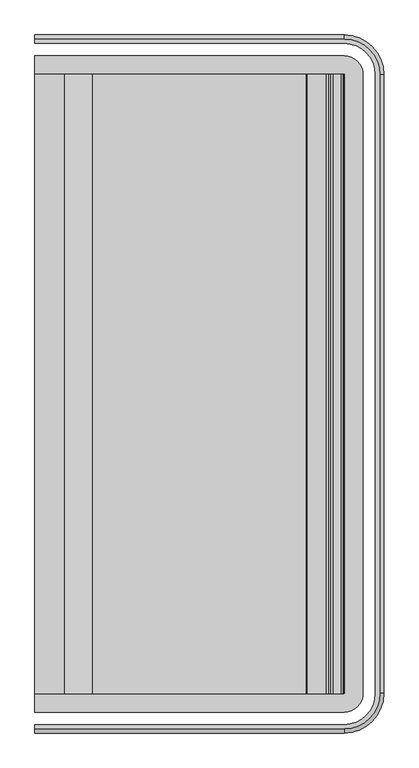
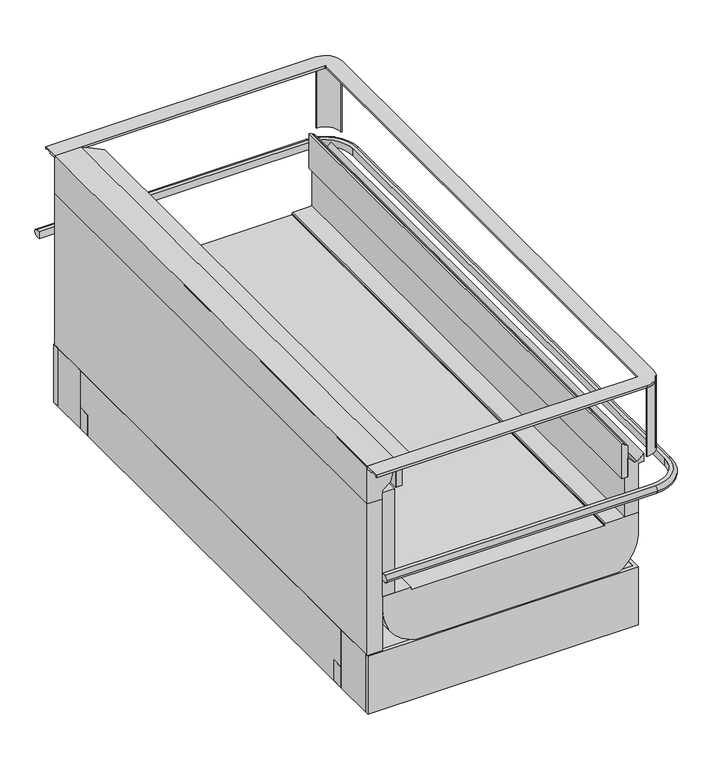
"""IFC4 building model written with IfcOpenShell, lengths in millimetres: proxy geometry."""

from ifc_helpers import new_model, si_unit, point, frame, frame_2d, origin, place, context, project, spatial, polyline, circle_curve, ellipse_curve, trimmed, segment, composite_curve, outline, extrude, source, transform, mapped, element, save
from ifc_brep_helpers import plane_surface, cylinder_surface, revolved_surface, advanced_brep


def mechanical_equipment_8d018af7(model_context):
    return source(origin(), model_context, "Body", "SolidModel", [
        extrude(outline(composite_curve([segment(polyline([(3388.995, -2460.7202413), (3388.995, -2457.5452413)]), True, "CONTINUOUS"), segment(trimmed(circle_curve(frame_2d((3388.995, -2403.0289273)), 54.516314), [point((3388.995, -2457.5452413))], [point((3443.511314, -2403.0289273))], True, "CARTESIAN"), True, "CONTINUOUS"), segment(polyline([(3443.511314, -2403.0289273), (3446.686314, -2403.0289273)]), True, "CONTINUOUS"), segment(trimmed(circle_curve(frame_2d((3388.995, -2403.0289273)), 57.691314), [point((3446.686314, -2403.0289273))], [point((3388.995, -2460.7202413))], False, "CARTESIAN"), True, "CONTINUOUS")], self_intersect=False)), frame((0.0, 0.0, 705.4117613), z_axis=(0.0, 0.0, 1.0), x_axis=(1.0, 0.0, 0.0)), (0.0, 0.0, 1.0), 254.9428463),
        extrude(outline(composite_curve([segment(trimmed(circle_curve(frame_2d((3388.995, -505.0139273)), 57.691314), [point((3388.995, -447.3226133))], [point((3446.686314, -505.0139273))], False, "CARTESIAN"), True, "CONTINUOUS"), segment(polyline([(3446.686314, -505.0139273), (3443.511314, -505.0139273)]), True, "CONTINUOUS"), segment(trimmed(circle_curve(frame_2d((3388.995, -505.0139273)), 54.516314), [point((3443.511314, -505.0139273))], [point((3388.995, -450.4976133))], True, "CARTESIAN"), True, "CONTINUOUS"), segment(polyline([(3388.995, -450.4976133), (3388.995, -447.3226133)]), True, "CONTINUOUS")], self_intersect=False)), frame((0.0, 0.0, 705.4117613), z_axis=(0.0, 0.0, 1.0), x_axis=(1.0, 0.0, 0.0)), (0.0, 0.0, 1.0), 254.9428463),
        advanced_brep(
        [(2438.4, -2460.7202413, 960.3546076), (2438.4, -2460.7202413, 968.355969), (2438.4, -2405.4344601, 968.355969), (2438.4, -2405.4344601, 960.3546076), (2438.4, -2430.6913456, 960.3546076), (2438.4, -2430.6913456, 965.063979), (2438.4, -2457.6455081, 965.063979), (2438.4, -2457.6455081, 960.3546076), (2438.4, -447.3226133, 960.3546076), (2438.4, -450.3973465, 960.3546076), (2438.4, -450.3973465, 965.063979), (2438.4, -477.351509, 965.063979), (2438.4, -477.351509, 960.3546076), (2438.4, -502.6083945, 960.3546076), (2438.4, -502.6083945, 968.355969), (2438.4, -447.3226133, 968.355969), (3388.995, -2460.7202413, 960.3546076), (3388.995, -2460.7202413, 968.355969), (3446.686314, -2403.0289273, 968.355969), (3446.686314, -505.0139273, 968.355969), (3388.995, -447.3226133, 968.355969), (3388.995, -502.6083945, 968.355969), (3391.4005328, -505.0139273, 968.355969), (3391.4005328, -2403.0289273, 968.355969), (3388.995, -2405.4344601, 968.355969), (3388.995, -2405.4344601, 960.3546076), (3391.4005328, -2403.0289273, 960.3546076), (3391.4005328, -505.0139273, 960.3546076), (3388.995, -502.6083945, 960.3546076), (3388.995, -477.351509, 960.3546076), (3416.6574183, -505.0139273, 960.3546076), (3416.6574183, -2403.0289273, 960.3546076), (3388.995, -2430.6913456, 960.3546076), (3388.995, -2430.6913456, 965.063979), (3416.6574183, -2403.0289273, 965.063979), (3416.6574183, -505.0139273, 965.063979), (3388.995, -477.351509, 965.063979), (3388.995, -450.3973465, 965.063979), (3443.6115808, -505.0139273, 965.063979), (3443.6115808, -2403.0289273, 965.063979), (3388.995, -2457.6455081, 965.063979), (3388.995, -2457.6455081, 960.3546076), (3443.6115808, -2403.0289273, 960.3546076), (3443.6115808, -505.0139273, 960.3546076), (3388.995, -450.3973465, 960.3546076), (3388.995, -447.3226133, 960.3546076), (3446.686314, -505.0139273, 960.3546076), (3446.686314, -2403.0289273, 960.3546076)],
        [
            (0, 1),
            (1, 2),
            (2, 3),
            (3, 4),
            (4, 5),
            (5, 6),
            (6, 7),
            (7, 0),
            (8, 9),
            (9, 10),
            (10, 11),
            (11, 12),
            (12, 13),
            (13, 14),
            (14, 15),
            (15, 8),
            (0, 16),
            (16, 17),
            (17, 1),
            (17, 18, circle_curve(frame((3388.995, -2403.0289273, 968.355969), z_axis=(0.0, 0.0, 1.0), x_axis=(0.0, -1.0, 0.0)), 57.691314)),
            (18, 19),
            (19, 20, circle_curve(frame((3388.995, -505.0139273, 968.355969), z_axis=(0.0, 0.0, 1.0), x_axis=(1.0, 0.0, 0.0)), 57.691314)),
            (20, 15),
            (14, 21),
            (21, 22, circle_curve(frame((3388.995, -505.0139273, 968.355969), z_axis=(0.0, 0.0, -1.0), x_axis=(1.0, 0.0, 0.0)), 2.4055328)),
            (22, 23),
            (23, 24, circle_curve(frame((3388.995, -2403.0289273, 968.355969), z_axis=(0.0, 0.0, -1.0), x_axis=(0.0, -1.0, 0.0)), 2.4055328)),
            (24, 2),
            (24, 25),
            (25, 3),
            (25, 26, circle_curve(frame((3388.995, -2403.0289273, 960.3546076), z_axis=(0.0, 0.0, 1.0), x_axis=(0.0, -1.0, 0.0)), 2.4055328)),
            (26, 27),
            (27, 28, circle_curve(frame((3388.995, -505.0139273, 960.3546076), z_axis=(0.0, 0.0, 1.0), x_axis=(1.0, 0.0, 0.0)), 2.4055328)),
            (28, 13),
            (12, 29),
            (29, 30, circle_curve(frame((3388.995, -505.0139273, 960.3546076), z_axis=(0.0, 0.0, -1.0), x_axis=(1.0, 0.0, 0.0)), 27.6624183)),
            (30, 31),
            (31, 32, circle_curve(frame((3388.995, -2403.0289273, 960.3546076), z_axis=(0.0, 0.0, -1.0), x_axis=(0.0, -1.0, 0.0)), 27.6624183)),
            (32, 4),
            (32, 33),
            (33, 5),
            (33, 34, circle_curve(frame((3388.995, -2403.0289273, 965.063979), z_axis=(0.0, 0.0, 1.0), x_axis=(0.0, -1.0, 0.0)), 27.6624183)),
            (34, 35),
            (35, 36, circle_curve(frame((3388.995, -505.0139273, 965.063979), z_axis=(0.0, 0.0, 1.0), x_axis=(1.0, 0.0, 0.0)), 27.6624183)),
            (36, 11),
            (10, 37),
            (37, 38, circle_curve(frame((3388.995, -505.0139273, 965.063979), z_axis=(0.0, 0.0, -1.0), x_axis=(1.0, 0.0, 0.0)), 54.6165808)),
            (38, 39),
            (39, 40, circle_curve(frame((3388.995, -2403.0289273, 965.063979), z_axis=(0.0, 0.0, -1.0), x_axis=(0.0, -1.0, 0.0)), 54.6165808)),
            (40, 6),
            (40, 41),
            (41, 7),
            (41, 42, circle_curve(frame((3388.995, -2403.0289273, 960.3546076), z_axis=(0.0, 0.0, 1.0), x_axis=(0.0, -1.0, 0.0)), 54.6165808)),
            (42, 43),
            (43, 44, circle_curve(frame((3388.995, -505.0139273, 960.3546076), z_axis=(0.0, 0.0, 1.0), x_axis=(1.0, 0.0, 0.0)), 54.6165808)),
            (44, 9),
            (8, 45),
            (45, 46, circle_curve(frame((3388.995, -505.0139273, 960.3546076), z_axis=(0.0, 0.0, -1.0), x_axis=(1.0, 0.0, 0.0)), 57.691314)),
            (46, 47),
            (47, 16, circle_curve(frame((3388.995, -2403.0289273, 960.3546076), z_axis=(0.0, 0.0, -1.0), x_axis=(0.0, -1.0, 0.0)), 57.691314)),
            (47, 18),
            (23, 26),
            (31, 34),
            (39, 42),
            (46, 19),
            (22, 27),
            (30, 35),
            (38, 43),
            (45, 20),
            (21, 28),
            (29, 36),
            (37, 44),
        ],
        [
            plane_surface(frame((2438.4, -2522.4089273, 1431.925), z_axis=(-1.0, 0.0, 0.0), x_axis=(0.0, 0.0, 1.0))),
            plane_surface(frame((2438.4, -385.6339273, 1431.925), z_axis=(-1.0, 0.0, 0.0), x_axis=(0.0, 0.0, 1.0))),
            plane_surface(frame((2438.4, -2460.7202413, 960.3546076), z_axis=(0.0, -1.0, 0.0), x_axis=(1.0, 0.0, 0.0))),
            plane_surface(frame((2438.4, -2460.7202413, 968.355969), z_axis=(0.0, 0.0, 1.0), x_axis=(1.0, 0.0, 0.0))),
            plane_surface(frame((2438.4, -2405.4344601, 968.355969), z_axis=(0.0, 1.0, 0.0), x_axis=(1.0, 0.0, 0.0))),
            plane_surface(frame((2438.4, -2405.4344601, 960.3546076), z_axis=(0.0, 0.0, -1.0), x_axis=(1.0, 0.0, 0.0))),
            plane_surface(frame((2438.4, -2430.6913456, 960.3546076), z_axis=(0.0, -1.0, 0.0), x_axis=(1.0, 0.0, 0.0))),
            plane_surface(frame((2438.4, -2430.6913456, 965.063979), z_axis=(0.0, 0.0, -1.0), x_axis=(1.0, 0.0, 0.0))),
            plane_surface(frame((2438.4, -2457.6455081, 965.063979), z_axis=(0.0, 1.0, 0.0), x_axis=(1.0, 0.0, 0.0))),
            plane_surface(frame((2438.4, -2457.6455081, 960.3546076), z_axis=(0.0, 0.0, -1.0), x_axis=(1.0, 0.0, 0.0))),
            cylinder_surface(frame((3388.995, -2403.0289273, 1431.925), z_axis=(0.0, 0.0, 1.0), x_axis=(0.0, -1.0, 0.0)), 57.691314),
            revolved_surface(polyline([(3388.995, -2405.4344601, 968.355969), (3388.995, -2405.4344601, 960.3546076)]), (3388.995, -2403.0289273, 1431.925), (0.0, 0.0, 1.0)),
            cylinder_surface(frame((3388.995, -2403.0289273, 1431.925), z_axis=(0.0, 0.0, 1.0), x_axis=(0.0, -1.0, 0.0)), 27.6624183),
            revolved_surface(polyline([(3388.995, -2457.6455081, 965.063979), (3388.995, -2457.6455081, 960.3546076)]), (3388.995, -2403.0289273, 1431.925), (0.0, 0.0, 1.0)),
            plane_surface(frame((3446.686314, -2403.0289273, 960.3546076), z_axis=(1.0, 0.0, 0.0), x_axis=(0.0, 1.0, 0.0))),
            plane_surface(frame((3391.4005328, -2403.0289273, 968.355969), z_axis=(-1.0, 0.0, 0.0), x_axis=(0.0, 1.0, 0.0))),
            plane_surface(frame((3416.6574183, -2403.0289273, 960.3546076), z_axis=(1.0, 0.0, 0.0), x_axis=(0.0, 1.0, 0.0))),
            plane_surface(frame((3443.6115808, -2403.0289273, 965.063979), z_axis=(-1.0, 0.0, 0.0), x_axis=(0.0, 1.0, 0.0))),
            cylinder_surface(frame((3388.995, -505.0139273, 1431.925), z_axis=(0.0, 0.0, 1.0), x_axis=(1.0, 0.0, 0.0)), 57.691314),
            revolved_surface(polyline([(3391.4005328, -505.0139273, 968.355969), (3391.4005328, -505.0139273, 960.3546076)]), (3388.995, -505.0139273, 1431.925), (0.0, 0.0, 1.0)),
            cylinder_surface(frame((3388.995, -505.0139273, 1431.925), z_axis=(0.0, 0.0, 1.0), x_axis=(1.0, 0.0, 0.0)), 27.6624183),
            revolved_surface(polyline([(3443.6115808, -505.0139273, 965.063979), (3443.6115808, -505.0139273, 960.3546076)]), (3388.995, -505.0139273, 1431.925), (0.0, 0.0, 1.0)),
            plane_surface(frame((3388.995, -447.3226133, 960.3546076), z_axis=(0.0, 1.0, 0.0), x_axis=(-1.0, 0.0, 0.0))),
            plane_surface(frame((3388.995, -502.6083945, 968.355969), z_axis=(0.0, -1.0, 0.0), x_axis=(-1.0, 0.0, 0.0))),
            plane_surface(frame((3388.995, -477.351509, 960.3546076), z_axis=(0.0, 1.0, 0.0), x_axis=(-1.0, 0.0, 0.0))),
            plane_surface(frame((3388.995, -450.3973465, 965.063979), z_axis=(0.0, -1.0, 0.0), x_axis=(-1.0, 0.0, 0.0))),
        ],
        [
            (0, [[1, 2, 3, 4, 5, 6, 7, 8]]),
            (1, [[9, 10, 11, 12, 13, 14, 15, 16]]),
            (2, [[-1, 17, 18, 19]]),
            (3, [[-2, -19, 20, 21, 22, 23, -15, 24, 25, 26, 27, 28]]),
            (4, [[-3, -28, 29, 30]]),
            (5, [[-4, -30, 31, 32, 33, 34, -13, 35, 36, 37, 38, 39]]),
            (6, [[-5, -39, 40, 41]]),
            (7, [[-6, -41, 42, 43, 44, 45, -11, 46, 47, 48, 49, 50]]),
            (8, [[-7, -50, 51, 52]]),
            (9, [[-8, -52, 53, 54, 55, 56, -9, 57, 58, 59, 60, -17]]),
            (10, [[-20, -18, -60, 61]]),
            (11, [[-31, -29, -27, 62]]),
            (12, [[-42, -40, -38, 63]]),
            (13, [[-53, -51, -49, 64]]),
            (14, [[-61, -59, 65, -21]]),
            (15, [[-62, -26, 66, -32]]),
            (16, [[-63, -37, 67, -43]]),
            (17, [[-64, -48, 68, -54]]),
            (18, [[-22, -65, -58, 69]]),
            (19, [[-33, -66, -25, 70]]),
            (20, [[-44, -67, -36, 71]]),
            (21, [[-55, -68, -47, 72]]),
            (22, [[-69, -57, -16, -23]]),
            (23, [[-70, -24, -14, -34]]),
            (24, [[-71, -35, -12, -45]]),
            (25, [[-72, -46, -10, -56]]),
        ],
    ),
        advanced_brep(
        [(2438.4, -2405.4344601, 960.3546076), (2438.4, -2430.6913456, 960.3546076), (2438.4, -2430.6913456, 965.063979), (2438.4, -2457.6455081, 965.063979), (2438.4, -2457.6455081, 960.3546076), (2438.4, -2460.7202413, 960.3546076), (2438.4, -2460.7202413, 968.355969), (2438.4, -2405.4344601, 968.355969), (2438.4, -502.6083945, 960.3546076), (2438.4, -502.6083945, 968.355969), (2438.4, -447.3226133, 968.3559691), (2438.4, -447.3226133, 960.3546076), (2438.4, -450.3973465, 960.3546076), (2438.4, -450.3973465, 965.063979), (2438.4, -477.351509, 965.063979), (2438.4, -477.351509, 960.3546076), (3388.995, -2405.4344601, 960.3546076), (3391.4005328, -2403.0289273, 960.3546076), (3391.4005328, -505.0139273, 960.3546076), (3388.995, -502.6083945, 960.3546076), (3388.995, -477.351509, 960.3546076), (3416.6574183, -505.0139273, 960.3546076), (3416.6574183, -2403.0289273, 960.3546076), (3388.995, -2430.6913456, 960.3546076), (3388.995, -2430.6913456, 965.063979), (3416.6574183, -2403.0289273, 965.063979), (3416.6574183, -505.0139273, 965.063979), (3388.995, -477.351509, 965.063979), (3388.995, -450.3973465, 965.063979), (3443.6115808, -505.0139273, 965.063979), (3443.6115808, -2403.0289273, 965.063979), (3388.995, -2457.6455081, 965.063979), (3388.995, -2457.6455081, 960.3546076), (3443.6115808, -2403.0289273, 960.3546076), (3443.6115808, -505.0139273, 960.3546076), (3388.995, -450.3973465, 960.3546076), (3388.995, -447.3226133, 960.3546076), (3446.686314, -505.0139273, 960.3546076), (3446.686314, -2403.0289273, 960.3546076), (3388.995, -2460.7202413, 960.3546076), (3388.995, -2460.7202413, 968.355969), (3446.686314, -2403.0289273, 968.355969), (3446.686314, -505.0139273, 968.3559691), (3388.995, -447.3226133, 968.3559691), (3388.995, -502.6083945, 968.3559691), (3391.4005328, -505.0139273, 968.3559691), (3391.4005328, -2403.0289273, 968.355969), (3388.995, -2405.4344601, 968.355969)],
        [
            (0, 1),
            (1, 2),
            (2, 3),
            (3, 4),
            (4, 5),
            (5, 6),
            (6, 7),
            (7, 0),
            (8, 9),
            (9, 10),
            (10, 11),
            (11, 12),
            (12, 13),
            (13, 14),
            (14, 15),
            (15, 8),
            (0, 16),
            (16, 17, circle_curve(frame((3388.995, -2403.0289273, 960.3546076), z_axis=(0.0, 0.0, 1.0), x_axis=(0.0, -1.0, 0.0)), 2.4055328)),
            (17, 18),
            (18, 19, circle_curve(frame((3388.995, -505.0139273, 960.3546076), z_axis=(0.0, 0.0, 1.0), x_axis=(1.0, 0.0, 0.0)), 2.4055328)),
            (19, 8),
            (15, 20),
            (20, 21, circle_curve(frame((3388.995, -505.0139273, 960.3546076), z_axis=(0.0, 0.0, -1.0), x_axis=(1.0, 0.0, 0.0)), 27.6624183)),
            (21, 22),
            (22, 23, circle_curve(frame((3388.995, -2403.0289273, 960.3546076), z_axis=(0.0, 0.0, -1.0), x_axis=(0.0, -1.0, 0.0)), 27.6624183)),
            (23, 1),
            (23, 24),
            (24, 2),
            (24, 25, circle_curve(frame((3388.995, -2403.0289273, 965.063979), z_axis=(0.0, 0.0, 1.0), x_axis=(0.0, -1.0, 0.0)), 27.6624183)),
            (25, 26),
            (26, 27, circle_curve(frame((3388.995, -505.0139273, 965.063979), z_axis=(0.0, 0.0, 1.0), x_axis=(1.0, 0.0, 0.0)), 27.6624183)),
            (27, 14),
            (13, 28),
            (28, 29, circle_curve(frame((3388.995, -505.0139273, 965.063979), z_axis=(0.0, 0.0, -1.0), x_axis=(1.0, 0.0, 0.0)), 54.6165808)),
            (29, 30),
            (30, 31, circle_curve(frame((3388.995, -2403.0289273, 965.063979), z_axis=(0.0, 0.0, -1.0), x_axis=(0.0, -1.0, 0.0)), 54.6165808)),
            (31, 3),
            (31, 32),
            (32, 4),
            (32, 33, circle_curve(frame((3388.995, -2403.0289273, 960.3546076), z_axis=(0.0, 0.0, 1.0), x_axis=(0.0, -1.0, 0.0)), 54.6165808)),
            (33, 34),
            (34, 35, circle_curve(frame((3388.995, -505.0139273, 960.3546076), z_axis=(0.0, 0.0, 1.0), x_axis=(1.0, 0.0, 0.0)), 54.6165808)),
            (35, 12),
            (11, 36),
            (36, 37, circle_curve(frame((3388.995, -505.0139273, 960.3546076), z_axis=(0.0, 0.0, -1.0), x_axis=(1.0, 0.0, 0.0)), 57.691314)),
            (37, 38),
            (38, 39, circle_curve(frame((3388.995, -2403.0289273, 960.3546076), z_axis=(0.0, 0.0, -1.0), x_axis=(0.0, -1.0, 0.0)), 57.691314)),
            (39, 5),
            (39, 40),
            (40, 6),
            (40, 41, circle_curve(frame((3388.995, -2403.0289273, 968.355969), z_axis=(0.0, 0.0, 1.0), x_axis=(0.0, -1.0, 0.0)), 57.691314)),
            (41, 42),
            (42, 43, circle_curve(frame((3388.995, -505.0139273, 968.3559691), z_axis=(0.0, 0.0, 1.0), x_axis=(1.0, 0.0, 0.0)), 57.691314)),
            (43, 10),
            (9, 44),
            (44, 45, circle_curve(frame((3388.995, -505.0139273, 968.3559691), z_axis=(0.0, 0.0, -1.0), x_axis=(1.0, 0.0, 0.0)), 2.4055328)),
            (45, 46),
            (46, 47, circle_curve(frame((3388.995, -2403.0289273, 968.355969), z_axis=(0.0, 0.0, -1.0), x_axis=(0.0, -1.0, 0.0)), 2.4055328)),
            (47, 7),
            (47, 16),
            (22, 25),
            (30, 33),
            (38, 41),
            (46, 17),
            (21, 26),
            (29, 34),
            (37, 42),
            (45, 18),
            (20, 27),
            (28, 35),
            (36, 43),
            (44, 19),
        ],
        [
            plane_surface(frame((2438.4, -2522.4089273, 1727.2), z_axis=(-1.0, 0.0, 0.0), x_axis=(0.0, 0.0, 1.0))),
            plane_surface(frame((2438.4, -385.6339273, 1727.2), z_axis=(-1.0, 0.0, 0.0), x_axis=(0.0, 0.0, 1.0))),
            plane_surface(frame((2438.4, -2405.4344601, 960.3546076), z_axis=(0.0, 0.0, -1.0), x_axis=(1.0, 0.0, 0.0))),
            plane_surface(frame((2438.4, -2430.6913456, 960.3546076), z_axis=(0.0, -1.0, 0.0), x_axis=(1.0, 0.0, 0.0))),
            plane_surface(frame((2438.4, -2430.6913456, 965.063979), z_axis=(0.0, 0.0, -1.0), x_axis=(1.0, 0.0, 0.0))),
            plane_surface(frame((2438.4, -2457.6455081, 965.063979), z_axis=(0.0, 1.0, 0.0), x_axis=(1.0, 0.0, 0.0))),
            plane_surface(frame((2438.4, -2457.6455081, 960.3546076), z_axis=(0.0, 0.0, -1.0), x_axis=(1.0, 0.0, 0.0))),
            plane_surface(frame((2438.4, -2460.7202413, 960.3546076), z_axis=(0.0, -1.0, 0.0), x_axis=(1.0, 0.0, 0.0))),
            plane_surface(frame((2438.4, -2460.7202413, 968.355969), z_axis=(0.0, 0.0, 1.0), x_axis=(1.0, 0.0, 0.0))),
            plane_surface(frame((2438.4, -2405.4344601, 968.355969), z_axis=(0.0, 1.0, 0.0), x_axis=(1.0, 0.0, 0.0))),
            cylinder_surface(frame((3388.995, -2403.0289273, 1727.2), z_axis=(0.0, 0.0, 1.0), x_axis=(0.0, -1.0, 0.0)), 27.6624183),
            revolved_surface(polyline([(3388.995, -2457.6455081, 965.063979), (3388.995, -2457.6455081, 960.3546076)]), (3388.995, -2403.0289273, 1727.2), (0.0, 0.0, 1.0)),
            cylinder_surface(frame((3388.995, -2403.0289273, 1727.2), z_axis=(0.0, 0.0, 1.0), x_axis=(0.0, -1.0, 0.0)), 57.691314),
            revolved_surface(polyline([(3388.995, -2405.4344601, 968.355969), (3388.995, -2405.4344601, 960.3546076)]), (3388.995, -2403.0289273, 1727.2), (0.0, 0.0, 1.0)),
            plane_surface(frame((3416.6574183, -2403.0289273, 960.3546076), z_axis=(1.0, 0.0, 0.0), x_axis=(0.0, 1.0, 0.0))),
            plane_surface(frame((3443.6115808, -2403.0289273, 965.063979), z_axis=(-1.0, 0.0, 0.0), x_axis=(0.0, 1.0, 0.0))),
            plane_surface(frame((3446.686314, -2403.0289273, 960.3546076), z_axis=(1.0, 0.0, 0.0), x_axis=(0.0, 1.0, 0.0))),
            plane_surface(frame((3391.4005328, -2403.0289273, 968.355969), z_axis=(-1.0, 0.0, 0.0), x_axis=(0.0, 1.0, 0.0))),
            cylinder_surface(frame((3388.995, -505.0139273, 1727.2), z_axis=(0.0, 0.0, 1.0), x_axis=(1.0, 0.0, 0.0)), 27.6624183),
            revolved_surface(polyline([(3443.6115808, -505.0139273, 965.063979), (3443.6115808, -505.0139273, 960.3546076)]), (3388.995, -505.0139273, 1727.2), (0.0, 0.0, 1.0)),
            cylinder_surface(frame((3388.995, -505.0139273, 1727.2), z_axis=(0.0, 0.0, 1.0), x_axis=(1.0, 0.0, 0.0)), 57.691314),
            revolved_surface(polyline([(3391.4005328, -505.0139273, 968.3559691), (3391.4005328, -505.0139273, 960.3546076)]), (3388.995, -505.0139273, 1727.2), (0.0, 0.0, 1.0)),
            plane_surface(frame((3388.995, -477.351509, 960.3546076), z_axis=(0.0, 1.0, 0.0), x_axis=(-1.0, 0.0, 0.0))),
            plane_surface(frame((3388.995, -450.3973465, 965.063979), z_axis=(0.0, -1.0, 0.0), x_axis=(-1.0, 0.0, 0.0))),
            plane_surface(frame((3388.995, -447.3226133, 960.3546076), z_axis=(0.0, 1.0, 0.0), x_axis=(-1.0, 0.0, 0.0))),
            plane_surface(frame((3388.995, -502.6083945, 968.355969), z_axis=(0.0, -1.0, 0.0), x_axis=(-1.0, 0.0, 0.0))),
        ],
        [
            (0, [[1, 2, 3, 4, 5, 6, 7, 8]]),
            (1, [[9, 10, 11, 12, 13, 14, 15, 16]]),
            (2, [[-1, 17, 18, 19, 20, 21, -16, 22, 23, 24, 25, 26]]),
            (3, [[-2, -26, 27, 28]]),
            (4, [[-3, -28, 29, 30, 31, 32, -14, 33, 34, 35, 36, 37]]),
            (5, [[-4, -37, 38, 39]]),
            (6, [[-5, -39, 40, 41, 42, 43, -12, 44, 45, 46, 47, 48]]),
            (7, [[-6, -48, 49, 50]]),
            (8, [[-7, -50, 51, 52, 53, 54, -10, 55, 56, 57, 58, 59]]),
            (9, [[-8, -59, 60, -17]]),
            (10, [[-29, -27, -25, 61]]),
            (11, [[-40, -38, -36, 62]]),
            (12, [[-51, -49, -47, 63]]),
            (13, [[-18, -60, -58, 64]]),
            (14, [[-61, -24, 65, -30]]),
            (15, [[-62, -35, 66, -41]]),
            (16, [[-63, -46, 67, -52]]),
            (17, [[-64, -57, 68, -19]]),
            (18, [[-31, -65, -23, 69]]),
            (19, [[-42, -66, -34, 70]]),
            (20, [[-53, -67, -45, 71]]),
            (21, [[-20, -68, -56, 72]]),
            (22, [[-69, -22, -15, -32]]),
            (23, [[-70, -33, -13, -43]]),
            (24, [[-71, -44, -11, -54]]),
            (25, [[-72, -55, -9, -21]]),
        ],
    ),
        advanced_brep(
        [(2438.4, -2512.451313, 628.600468), (2438.4, -2499.0303348, 628.600468), (2438.4, -2499.0303348, 603.200468), (2438.4, -2512.451313, 603.200468), (2438.4, -2525.151313, 615.900468), (2438.4, -395.5915416, 628.600468), (2438.4, -382.8915416, 615.900468), (2438.4, -395.5915416, 603.200468), (2438.4, -409.0125198, 603.200468), (2438.4, -409.0125198, 628.600468), (3388.995, -2512.451313, 628.600468), (3498.4173857, -2403.0289273, 628.600468), (3498.4173857, -505.0139273, 628.600468), (3388.995, -395.5915416, 628.600468), (3388.995, -409.0125198, 628.600468), (3484.9964075, -505.0139273, 628.600468), (3484.9964075, -2403.0289273, 628.600468), (3388.995, -2499.0303348, 628.600468), (3388.995, -2499.0303348, 603.200468), (3484.9964075, -2403.0289273, 603.200468), (3484.9964075, -505.0139273, 603.200468), (3388.995, -409.0125198, 603.200468), (3388.995, -395.5915416, 603.200468), (3498.4173857, -505.0139273, 603.200468), (3498.4173857, -2403.0289273, 603.200468), (3388.995, -2512.451313, 603.200468), (3388.995, -2525.151313, 615.900468), (3511.1173857, -2403.0289273, 615.900468), (3511.1173857, -505.0139273, 615.900468), (3388.995, -382.8915416, 615.900468)],
        [
            (0, 1),
            (1, 2),
            (2, 3),
            (3, 4, circle_curve(frame((2438.4, -2512.451313, 615.900468), z_axis=(-1.0, 0.0, 0.0), x_axis=(0.0, 1.0, 0.0)), 12.7)),
            (4, 0, circle_curve(frame((2438.4, -2512.451313, 615.900468), z_axis=(-1.0, 0.0, 0.0), x_axis=(0.0, 1.0, 0.0)), 12.7)),
            (5, 6, circle_curve(frame((2438.4, -395.5915416, 615.900468), z_axis=(-1.0, 0.0, 0.0), x_axis=(0.0, -1.0, 0.0)), 12.7)),
            (6, 7, circle_curve(frame((2438.4, -395.5915416, 615.900468), z_axis=(-1.0, 0.0, 0.0), x_axis=(0.0, -1.0, 0.0)), 12.7)),
            (7, 8),
            (8, 9),
            (9, 5),
            (0, 10),
            (10, 11, circle_curve(frame((3388.995, -2403.0289273, 628.600468), z_axis=(0.0, 0.0, 1.0), x_axis=(0.0, -1.0, 0.0)), 109.4223857)),
            (11, 12),
            (12, 13, circle_curve(frame((3388.995, -505.0139273, 628.600468), z_axis=(0.0, 0.0, 1.0), x_axis=(1.0, 0.0, 0.0)), 109.4223857)),
            (13, 5),
            (9, 14),
            (14, 15, circle_curve(frame((3388.995, -505.0139273, 628.600468), z_axis=(0.0, 0.0, -1.0), x_axis=(1.0, 0.0, 0.0)), 96.0014075)),
            (15, 16),
            (16, 17, circle_curve(frame((3388.995, -2403.0289273, 628.600468), z_axis=(0.0, 0.0, -1.0), x_axis=(0.0, -1.0, 0.0)), 96.0014075)),
            (17, 1),
            (2, 18),
            (18, 19, circle_curve(frame((3388.995, -2403.0289273, 603.200468), z_axis=(0.0, 0.0, 1.0), x_axis=(0.0, -1.0, 0.0)), 96.0014075)),
            (19, 20),
            (20, 21, circle_curve(frame((3388.995, -505.0139273, 603.200468), z_axis=(0.0, 0.0, 1.0), x_axis=(1.0, 0.0, 0.0)), 96.0014075)),
            (21, 8),
            (7, 22),
            (22, 23, circle_curve(frame((3388.995, -505.0139273, 603.200468), z_axis=(0.0, 0.0, -1.0), x_axis=(1.0, 0.0, 0.0)), 109.4223857)),
            (23, 24),
            (24, 25, circle_curve(frame((3388.995, -2403.0289273, 603.200468), z_axis=(0.0, 0.0, -1.0), x_axis=(0.0, -1.0, 0.0)), 109.4223857)),
            (25, 3),
            (25, 26, circle_curve(frame((3388.995, -2512.451313, 615.900468), z_axis=(-1.0, 0.0, 0.0), x_axis=(0.0, 1.0, 0.0)), 12.7)),
            (26, 4),
            (26, 10, circle_curve(frame((3388.995, -2512.451313, 615.900468), z_axis=(-1.0, 0.0, 0.0), x_axis=(0.0, 1.0, 0.0)), 12.7)),
            (27, 26, circle_curve(frame((3388.995, -2403.0289273, 615.900468), z_axis=(0.0, 0.0, -1.0), x_axis=(0.0, -1.0, 0.0)), 122.1223857)),
            (24, 27, circle_curve(frame((3498.4173857, -2403.0289273, 615.900468), z_axis=(0.0, -1.0, 0.0), x_axis=(-1.0, 0.0, 0.0)), 12.7)),
            (27, 11, circle_curve(frame((3498.4173857, -2403.0289273, 615.900468), z_axis=(0.0, -1.0, 0.0), x_axis=(-1.0, 0.0, 0.0)), 12.7)),
            (23, 28, circle_curve(frame((3498.4173857, -505.0139273, 615.900468), z_axis=(0.0, -1.0, 0.0), x_axis=(-1.0, 0.0, 0.0)), 12.7)),
            (28, 27),
            (28, 12, circle_curve(frame((3498.4173857, -505.0139273, 615.900468), z_axis=(0.0, -1.0, 0.0), x_axis=(-1.0, 0.0, 0.0)), 12.7)),
            (29, 28, circle_curve(frame((3388.995, -505.0139273, 615.900468), z_axis=(0.0, 0.0, -1.0), x_axis=(1.0, 0.0, 0.0)), 122.1223857)),
            (22, 29, circle_curve(frame((3388.995, -395.5915416, 615.900468), z_axis=(1.0, 0.0, 0.0), x_axis=(0.0, -1.0, 0.0)), 12.7)),
            (29, 13, circle_curve(frame((3388.995, -395.5915416, 615.900468), z_axis=(1.0, 0.0, 0.0), x_axis=(0.0, -1.0, 0.0)), 12.7)),
            (6, 29),
            (17, 18),
            (16, 19),
            (15, 20),
            (14, 21),
        ],
        [
            plane_surface(frame((2438.4, -2522.4089273, 1114.425), z_axis=(-1.0, 0.0, 0.0), x_axis=(0.0, 0.0, 1.0))),
            plane_surface(frame((2438.4, -385.6339273, 1114.425), z_axis=(-1.0, 0.0, 0.0), x_axis=(0.0, 0.0, 1.0))),
            plane_surface(frame((2438.4, -2512.451313, 628.600468), z_axis=(0.0, 0.0, 1.0), x_axis=(1.0, 0.0, 0.0))),
            plane_surface(frame((2438.4, -2499.0303348, 603.200468), z_axis=(0.0, 0.0, -1.0), x_axis=(1.0, 0.0, 0.0))),
            cylinder_surface(frame((2438.4, -2512.451313, 615.900468), z_axis=(-1.0, 0.0, 0.0), x_axis=(0.0, 1.0, 0.0)), 12.7),
            revolved_surface(trimmed(ellipse_curve(frame((3388.995, -2512.451313, 615.900468), z_axis=(-1.0, 0.0, 0.0), x_axis=(0.0, 1.0, 0.0)), 12.7, 12.7), [point((3388.995, -2512.451313, 603.200468))], [point((3388.995, -2525.151313, 615.900468))], True, "CARTESIAN"), (3388.995, -2403.0289273, 1114.425), (0.0, 0.0, 1.0)),
            revolved_surface(trimmed(ellipse_curve(frame((3388.995, -2512.451313, 615.900468), z_axis=(-1.0, 0.0, 0.0), x_axis=(0.0, 1.0, 0.0)), 12.7, 12.7), [point((3388.995, -2525.151313, 615.900468))], [point((3388.995, -2512.451313, 628.600468))], True, "CARTESIAN"), (3388.995, -2403.0289273, 1114.425), (0.0, 0.0, 1.0)),
            cylinder_surface(frame((3498.4173857, -2403.0289273, 615.900468), z_axis=(0.0, -1.0, 0.0), x_axis=(-1.0, 0.0, 0.0)), 12.7),
            revolved_surface(trimmed(ellipse_curve(frame((3498.4173857, -505.0139273, 615.900468), z_axis=(0.0, -1.0, 0.0), x_axis=(-1.0, 0.0, 0.0)), 12.7, 12.7), [point((3498.4173857, -505.0139273, 603.200468))], [point((3511.1173857, -505.0139273, 615.900468))], True, "CARTESIAN"), (3388.995, -505.0139273, 1114.425), (0.0, 0.0, 1.0)),
            revolved_surface(trimmed(ellipse_curve(frame((3498.4173857, -505.0139273, 615.900468), z_axis=(0.0, -1.0, 0.0), x_axis=(-1.0, 0.0, 0.0)), 12.7, 12.7), [point((3511.1173857, -505.0139273, 615.900468))], [point((3498.4173857, -505.0139273, 628.600468))], True, "CARTESIAN"), (3388.995, -505.0139273, 1114.425), (0.0, 0.0, 1.0)),
            cylinder_surface(frame((3388.995, -395.5915416, 615.900468), z_axis=(1.0, 0.0, 0.0), x_axis=(0.0, -1.0, 0.0)), 12.7),
            plane_surface(frame((2438.4, -2499.0303348, 628.600468), z_axis=(0.0, 1.0, 0.0), x_axis=(1.0, 0.0, 0.0))),
            revolved_surface(polyline([(3388.995, -2499.0303347999998, 628.600468), (3388.995, -2499.0303347999998, 603.200468)]), (3388.995, -2403.0289273, 1114.425), (0.0, 0.0, 1.0)),
            plane_surface(frame((3484.9964075, -2403.0289273, 628.600468), z_axis=(-1.0, 0.0, 0.0), x_axis=(0.0, 1.0, 0.0))),
            revolved_surface(polyline([(3484.9964075, -505.0139273, 628.600468), (3484.9964075, -505.0139273, 603.200468)]), (3388.995, -505.0139273, 1114.425), (0.0, 0.0, 1.0)),
            plane_surface(frame((3388.995, -409.0125198, 628.600468), z_axis=(0.0, -1.0, 0.0), x_axis=(-1.0, 0.0, 0.0))),
        ],
        [
            (0, [[1, 2, 3, 4, 5]]),
            (1, [[6, 7, 8, 9, 10]]),
            (2, [[-1, 11, 12, 13, 14, 15, -10, 16, 17, 18, 19, 20]]),
            (3, [[-3, 21, 22, 23, 24, 25, -8, 26, 27, 28, 29, 30]]),
            (4, [[-4, -30, 31, 32]]),
            (4, [[-5, -32, 33, -11]]),
            (5, [[34, -31, -29, 35]]),
            (6, [[-12, -33, -34, 36]]),
            (7, [[-35, -28, 37, 38]]),
            (7, [[-36, -38, 39, -13]]),
            (8, [[40, -37, -27, 41]]),
            (9, [[-14, -39, -40, 42]]),
            (10, [[-41, -26, -7, 43]]),
            (10, [[-42, -43, -6, -15]]),
            (11, [[-2, -20, 44, -21]]),
            (12, [[-22, -44, -19, 45]]),
            (13, [[-45, -18, 46, -23]]),
            (14, [[-24, -46, -17, 47]]),
            (15, [[-47, -16, -9, -25]]),
        ],
    ),
        extrude(outline(composite_curve([segment(trimmed(circle_curve(frame_2d((3138.4875, -579.3089273)), 12.7), [point((3125.7875, -579.3089273))], [point((3151.1875, -579.3089273))], False, "CARTESIAN"), True, "CONTINUOUS"), segment(trimmed(circle_curve(frame_2d((3138.4875, -579.3089273)), 12.7), [point((3151.1875, -579.3089273))], [point((3125.7875, -579.3089273))], False, "CARTESIAN"), True, "CONTINUOUS")], self_intersect=False)), frame((0.0, 0.0, 110.2946924), z_axis=(0.0, 0.0, 1.0), x_axis=(1.0, 0.0, 0.0)), (0.0, 0.0, 1.0), 92.8862766),
        extrude(outline(composite_curve([segment(trimmed(circle_curve(frame_2d((3138.4875, -630.1089273)), 9.525), [point((3128.9625, -630.1089273))], [point((3148.0125, -630.1089273))], False, "CARTESIAN"), True, "CONTINUOUS"), segment(trimmed(circle_curve(frame_2d((3138.4875, -630.1089273)), 9.525), [point((3148.0125, -630.1089273))], [point((3128.9625, -630.1089273))], False, "CARTESIAN"), True, "CONTINUOUS")], self_intersect=False)), frame((0.0, 0.0, 110.2946924), z_axis=(0.0, 0.0, 1.0), x_axis=(1.0, 0.0, 0.0)), (0.0, 0.0, 1.0), 92.8862766),
        extrude(outline(composite_curve([segment(trimmed(circle_curve(frame_2d((3138.4875, -1454.021075)), 38.1), [point((3176.4354004, -1457.4220835))], [point((3100.3875, -1454.021075))], False, "CARTESIAN"), True, "CONTINUOUS"), segment(trimmed(circle_curve(frame_2d((3138.4875, -1454.021075)), 38.1), [point((3100.3875, -1454.021075))], [point((3176.4354004, -1457.4220835))], False, "CARTESIAN"), True, "CONTINUOUS")], self_intersect=False)), frame((0.0, 0.0, 110.2946924), z_axis=(0.0, 0.0, 1.0), x_axis=(1.0, 0.0, 0.0)), (0.0, 0.0, 1.0), 92.8862766),
        extrude(outline(polyline([(3268.3490819, -2304.997275), (3268.3490819, -2376.9011355), (2956.0104034, -2376.9011355), (2956.0104034, -2304.997275), (3268.3490819, -2304.997275)])), frame((0.0, 0.0, 50.7809691), z_axis=(0.0, 0.0, 1.0), x_axis=(1.0, 0.0, 0.0)), (0.0, 0.0, 1.0), 6.2352873),
        advanced_brep(
        [(3233.3211877, -660.6966819, 127.6566969), (2438.4, -660.6966819, 127.6566969), (2438.4, -705.137981, 127.6566969), (3188.8709463, -705.137981, 127.6566969), (3188.8709463, -2202.9048736, 127.6566969), (2438.4, -2202.9048736, 127.6566969), (2438.4, -2247.3551153, 127.6566969), (3233.3211877, -2247.3551153, 127.6566969), (3233.3211877, -660.6966819, 50.7809691), (3233.3211877, -2247.3551153, 50.7809691), (2438.4, -2247.3551153, 50.7809691), (2438.4, -2202.9048736, 50.7809691), (3188.8709463, -2202.9048736, 50.7809691), (3188.8709463, -1460.5132502, 50.7809691), (3189.2875, -1454.021075, 50.7809691), (3188.8709463, -1447.5288997, 50.7809691), (3188.8709463, -705.137981, 50.7809691), (2438.4, -705.137981, 50.7809691), (2438.4, -660.6966819, 50.7809691), (3188.8709463, -1447.5288997, 126.2428567), (3188.8709463, -1460.5132502, 126.2428567), (3189.2875, -1454.021075, 126.2428567)],
        [
            (0, 1),
            (1, 2),
            (2, 3),
            (3, 4),
            (4, 5),
            (5, 6),
            (6, 7),
            (7, 0),
            (8, 9),
            (9, 10),
            (10, 11),
            (11, 12),
            (12, 13),
            (13, 14, circle_curve(frame((3138.4875, -1454.021075, 50.7809691), z_axis=(0.0, 0.0, 1.0), x_axis=(-1.0, 0.0, 0.0)), 50.8)),
            (14, 15, circle_curve(frame((3138.4875, -1454.021075, 50.7809691), z_axis=(0.0, 0.0, 1.0), x_axis=(-1.0, 0.0, 0.0)), 50.8)),
            (15, 16),
            (16, 17),
            (17, 18),
            (18, 8),
            (0, 8),
            (18, 1),
            (17, 2),
            (16, 3),
            (15, 19),
            (19, 20),
            (20, 13),
            (12, 4),
            (11, 5),
            (10, 6),
            (9, 7),
            (21, 20, circle_curve(frame((3138.4875, -1454.021075, 126.2428567), z_axis=(0.0, 0.0, -1.0), x_axis=(-1.0, 0.0, 0.0)), 50.8)),
            (19, 21, circle_curve(frame((3138.4875, -1454.021075, 126.2428567), z_axis=(0.0, 0.0, -1.0), x_axis=(-1.0, 0.0, 0.0)), 50.8)),
            (14, 21),
        ],
        [
            plane_surface(frame((2438.4, -660.6966819, 127.6566969), z_axis=(0.0, 0.0, 1.0), x_axis=(-1.0, 0.0, 0.0))),
            plane_surface(frame((2438.4, -660.6966819, 50.7809691), z_axis=(0.0, 0.0, -1.0), x_axis=(1.0, 0.0, 0.0))),
            plane_surface(frame((3233.3211877, -660.6966819, 127.6566969), z_axis=(0.0, 1.0, 0.0), x_axis=(0.0, 0.0, -1.0))),
            plane_surface(frame((2438.4, -660.6966819, 127.6566969), z_axis=(-1.0, 0.0, 0.0), x_axis=(0.0, 0.0, -1.0))),
            plane_surface(frame((2438.4, -705.137981, 127.6566969), z_axis=(0.0, -1.0, 0.0), x_axis=(0.0, 0.0, -1.0))),
            plane_surface(frame((3188.8709463, -705.137981, 127.6566969), z_axis=(-1.0, 0.0, 0.0), x_axis=(0.0, 0.0, -1.0))),
            plane_surface(frame((3188.8709463, -2202.9048736, 127.6566969), z_axis=(0.0, 1.0, 0.0), x_axis=(0.0, 0.0, -1.0))),
            plane_surface(frame((2438.4, -2202.9048736, 127.6566969), z_axis=(-1.0, 0.0, 0.0), x_axis=(0.0, 0.0, -1.0))),
            plane_surface(frame((2438.4, -2247.3551153, 127.6566969), z_axis=(0.0, -1.0, 0.0), x_axis=(0.0, 0.0, -1.0))),
            plane_surface(frame((3233.3211877, -2247.3551153, 127.6566969), z_axis=(1.0, 0.0, 0.0), x_axis=(0.0, 0.0, -1.0))),
            plane_surface(frame((3087.6875, -1454.021075, 126.2428567), z_axis=(0.0, 0.0, -1.0), x_axis=(0.0, -1.0, 0.0))),
            revolved_surface(polyline([(3087.6875, -1454.021075, 126.2428567), (3087.6875, -1454.021075, 50.78096909999999)]), (3138.4875, -1454.021075, -26.1571433), (0.0, 0.0, 1.0)),
        ],
        [
            (0, [[1, 2, 3, 4, 5, 6, 7, 8]]),
            (1, [[9, 10, 11, 12, 13, 14, 15, 16, 17, 18, 19]]),
            (2, [[-1, 20, -19, 21]]),
            (3, [[-2, -21, -18, 22]]),
            (4, [[-3, -22, -17, 23]]),
            (5, [[-4, -23, -16, 24, 25, 26, -13, 27]]),
            (6, [[-5, -27, -12, 28]]),
            (7, [[-6, -28, -11, 29]]),
            (8, [[-7, -29, -10, 30]]),
            (9, [[-8, -30, -9, -20]]),
            (10, [[31, -25, 32]]),
            (11, [[-32, -24, -15, 33]]),
            (11, [[-31, -33, -14, -26]]),
        ],
    ),
        advanced_brep(
        [(2642.6612321, -2247.3551153, 262.4092344), (2492.3075066, -2247.3551153, 414.7954962), (2492.3075066, -2247.3551153, 265.8624645), (2438.4, -2247.3551153, 265.8624645), (2438.4, -2247.3551153, 50.7809691), (3188.871188, -2247.3551153, 50.7809691), (3188.871188, -2247.3551153, 242.8665093), (2642.6612321, -660.6966819, 262.4092344), (3188.871188, -660.6966819, 242.8665093), (3188.871188, -660.6966819, 50.7809691), (2438.4, -660.6966819, 50.7809691), (2438.4, -660.6966819, 265.8624645), (2492.3075066, -660.6966819, 265.8624645), (2492.3075066, -660.6966819, 414.7954962), (3188.871188, -1447.5307754, 50.7809691), (3087.6875, -1454.021075, 50.7809691), (3188.871188, -1460.5113745, 50.7809691), (3188.871188, -1460.5113745, 126.2428567), (3188.871188, -1447.5307754, 126.2428567), (3087.6875, -1454.021075, 126.2428567)],
        [
            (0, 1, circle_curve(frame((2644.7075066, -2247.3551153, 414.7954962), z_axis=(0.0, 1.0, 0.0), x_axis=(0.0, 0.0, 1.0)), 152.4)),
            (1, 2),
            (2, 3),
            (3, 4),
            (4, 5),
            (5, 6),
            (6, 0, circle_curve(frame((2478.3698884, -2247.3551153, -11972.3831731), z_axis=(0.0, -1.0, 0.0), x_axis=(0.0, 0.0, 1.0)), 12235.8954271)),
            (7, 8, circle_curve(frame((2478.3698884, -660.6966819, -11972.3831731), z_axis=(0.0, 1.0, 0.0), x_axis=(0.0, 0.0, 1.0)), 12235.8954271)),
            (8, 9),
            (9, 10),
            (10, 11),
            (11, 12),
            (12, 13),
            (13, 7, circle_curve(frame((2644.7075066, -660.6966819, 414.7954962), z_axis=(0.0, -1.0, 0.0), x_axis=(0.0, 0.0, 1.0)), 152.4)),
            (0, 7),
            (13, 1),
            (12, 2),
            (11, 3),
            (10, 4),
            (9, 14),
            (14, 15, circle_curve(frame((3138.4875, -1454.021075, 50.7809691), z_axis=(0.0, 0.0, 1.0), x_axis=(-1.0, 0.0, 0.0)), 50.8)),
            (15, 16, circle_curve(frame((3138.4875, -1454.021075, 50.7809691), z_axis=(0.0, 0.0, 1.0), x_axis=(-1.0, 0.0, 0.0)), 50.8)),
            (16, 5),
            (6, 8),
            (16, 17),
            (17, 18),
            (18, 14),
            (17, 19, circle_curve(frame((3138.4875, -1454.021075, 126.2428567), z_axis=(0.0, 0.0, -1.0), x_axis=(-1.0, 0.0, 0.0)), 50.8)),
            (19, 18, circle_curve(frame((3138.4875, -1454.021075, 126.2428567), z_axis=(0.0, 0.0, -1.0), x_axis=(-1.0, 0.0, 0.0)), 50.8)),
            (19, 15),
        ],
        [
            plane_surface(frame((2644.7075066, -2247.3551153, 567.1954962), z_axis=(0.0, -1.0, 0.0), x_axis=(1.0, 0.0, 0.0))),
            plane_surface(frame((2644.7075066, -660.6966819, 567.1954962), z_axis=(0.0, 1.0, 0.0), x_axis=(-1.0, 0.0, 0.0))),
            revolved_surface(polyline([(2644.7075066, -660.6966819, 567.1954962), (2644.7075066, -2247.3551153, 567.1954962)]), (2644.7075066, -660.6966819, 414.7954962), (0.0, 1.0, 0.0)),
            plane_surface(frame((2492.3075066, -2247.3551153, 414.7954962), z_axis=(-1.0, 0.0, 0.0), x_axis=(0.0, 1.0, 0.0))),
            plane_surface(frame((2492.3075066, -2247.3551153, 265.8624645), z_axis=(0.0, 0.0, 1.0), x_axis=(0.0, 1.0, 0.0))),
            plane_surface(frame((2438.4, -2247.3551153, 265.8624645), z_axis=(-1.0, 0.0, 0.0), x_axis=(0.0, 1.0, 0.0))),
            plane_surface(frame((2438.4, -2247.3551153, 50.7809691), z_axis=(0.0, 0.0, -1.0), x_axis=(0.0, 1.0, 0.0))),
            cylinder_surface(frame((2478.3698884, -660.6966819, -11972.3831731), z_axis=(0.0, -1.0, 0.0), x_axis=(0.0, 0.0, 1.0)), 12235.8954271),
            plane_surface(frame((3188.871188, -2247.3551153, 50.7809691), z_axis=(1.0, 0.0, 0.0), x_axis=(0.0, 1.0, 0.0))),
            plane_surface(frame((3087.6875, -1454.021075, 126.2428567), z_axis=(0.0, 0.0, -1.0), x_axis=(0.0, -1.0, 0.0))),
            revolved_surface(polyline([(3087.6875, -1454.021075, 126.2428567), (3087.6875, -1454.021075, 50.78096909999999)]), (3138.4875, -1454.021075, -26.1571433), (0.0, 0.0, 1.0)),
        ],
        [
            (0, [[1, 2, 3, 4, 5, 6, 7]]),
            (1, [[8, 9, 10, 11, 12, 13, 14]]),
            (2, [[-1, 15, -14, 16]]),
            (3, [[-2, -16, -13, 17]]),
            (4, [[-3, -17, -12, 18]]),
            (5, [[-4, -18, -11, 19]]),
            (6, [[-5, -19, -10, 20, 21, 22, 23]]),
            (7, [[-7, 24, -8, -15]]),
            (8, [[-6, -23, 25, 26, 27, -20, -9, -24]]),
            (9, [[28, 29, -26]]),
            (10, [[-29, 30, -21, -27]]),
            (10, [[-28, -25, -22, -30]]),
        ],
    ),
        extrude(outline(polyline([(2438.4, -2409.6329734), (2438.4, -2396.9329734), (3376.295, -2396.9329734), (3376.295, -521.8174475), (2438.4, -521.8174475), (2438.4, -498.4098812), (3388.995, -498.4098812), (3388.995, -2409.6329734), (2438.4, -2409.6329734)])), frame((0.0, 0.0, 50.7809691), z_axis=(0.0, 0.0, 1.0), x_axis=(1.0, 0.0, 0.0)), (0.0, 0.0, 1.0), 215.0814955),
        advanced_brep(
        [(2438.4, -511.1098812, 265.8624645), (2438.4, -660.6966819, 265.8624645), (3233.3211877, -660.6966819, 265.8624645), (3233.3211877, -2247.3551153, 265.8624645), (2438.4, -2247.3551153, 265.8624645), (2438.4, -2396.9329734, 265.8624645), (3376.295, -2396.9329734, 265.8624645), (3376.295, -511.1098812, 265.8624645), (2438.4, -511.1098812, 50.7809691), (3376.295, -511.1098812, 50.7809691), (3376.295, -2396.9329734, 50.7809691), (2438.4, -2396.9329734, 50.7809691), (2438.4, -2247.3551153, 50.7809691), (3233.3211877, -2247.3551153, 50.7809691), (3233.3211877, -660.6966819, 50.7809691), (2438.4, -660.6966819, 50.7809691), (3087.6875, -604.7089273, 50.7809691), (3189.2875, -604.7089273, 50.7809691), (3087.6875, -604.7089273, 203.1809691), (3189.2875, -604.7089273, 203.1809691)],
        [
            (0, 1),
            (1, 2),
            (2, 3),
            (3, 4),
            (4, 5),
            (5, 6),
            (6, 7),
            (7, 0),
            (8, 9),
            (9, 10),
            (10, 11),
            (11, 12),
            (12, 13),
            (13, 14),
            (14, 15),
            (15, 8),
            (16, 17, circle_curve(frame((3138.4875, -604.7089273, 50.7809691), z_axis=(0.0, 0.0, 1.0), x_axis=(1.0, 0.0, 0.0)), 50.8)),
            (17, 16, circle_curve(frame((3138.4875, -604.7089273, 50.7809691), z_axis=(0.0, 0.0, 1.0), x_axis=(1.0, 0.0, 0.0)), 50.8)),
            (0, 8),
            (15, 1),
            (14, 2),
            (13, 3),
            (12, 4),
            (11, 5),
            (10, 6),
            (9, 7),
            (18, 19, circle_curve(frame((3138.4875, -604.7089273, 203.1809691), z_axis=(0.0, 0.0, -1.0), x_axis=(1.0, 0.0, 0.0)), 50.8)),
            (19, 18, circle_curve(frame((3138.4875, -604.7089273, 203.1809691), z_axis=(0.0, 0.0, -1.0), x_axis=(1.0, 0.0, 0.0)), 50.8)),
            (19, 17),
            (16, 18),
        ],
        [
            plane_surface(frame((2438.4, -705.137981, 265.8624645), z_axis=(0.0, 0.0, 1.0), x_axis=(0.0, -1.0, 0.0))),
            plane_surface(frame((2438.4, -705.137981, 50.7809691), z_axis=(0.0, 0.0, -1.0), x_axis=(0.0, 1.0, 0.0))),
            plane_surface(frame((2438.4, -511.1098812, 265.8624645), z_axis=(-1.0, 0.0, 0.0), x_axis=(0.0, 0.0, -1.0))),
            plane_surface(frame((2438.4, -660.6966819, 265.8624645), z_axis=(0.0, -1.0, 0.0), x_axis=(0.0, 0.0, -1.0))),
            plane_surface(frame((3233.3211877, -660.6966819, 265.8624645), z_axis=(-1.0, 0.0, 0.0), x_axis=(0.0, 0.0, -1.0))),
            plane_surface(frame((3233.3211877, -2247.3551153, 265.8624645), z_axis=(0.0, 1.0, 0.0), x_axis=(0.0, 0.0, -1.0))),
            plane_surface(frame((2438.4, -2247.3551153, 265.8624645), z_axis=(-1.0, 0.0, 0.0), x_axis=(0.0, 0.0, -1.0))),
            plane_surface(frame((2438.4, -2396.9329734, 265.8624645), z_axis=(0.0, -1.0, 0.0), x_axis=(0.0, 0.0, -1.0))),
            plane_surface(frame((3376.295, -2396.9329734, 265.8624645), z_axis=(1.0, 0.0, 0.0), x_axis=(0.0, 0.0, -1.0))),
            plane_surface(frame((3376.295, -511.1098812, 265.8624645), z_axis=(0.0, 1.0, 0.0), x_axis=(0.0, 0.0, -1.0))),
            plane_surface(frame((3189.2875, -604.7089273, 203.1809691), z_axis=(0.0, 0.0, -1.0), x_axis=(0.0, 1.0, 0.0))),
            revolved_surface(polyline([(3189.2875000000004, -604.7089273, 203.1809691), (3189.2875000000004, -604.7089273, 50.7809691)]), (3138.4875, -604.7089273, 50.7809691), (0.0, 0.0, 1.0)),
        ],
        [
            (0, [[1, 2, 3, 4, 5, 6, 7, 8]]),
            (1, [[9, 10, 11, 12, 13, 14, 15, 16], [17, 18]]),
            (2, [[-1, 19, -16, 20]]),
            (3, [[-2, -20, -15, 21]]),
            (4, [[-3, -21, -14, 22]]),
            (5, [[-4, -22, -13, 23]]),
            (6, [[-5, -23, -12, 24]]),
            (7, [[-6, -24, -11, 25]]),
            (8, [[-7, -25, -10, 26]]),
            (9, [[-8, -26, -9, -19]]),
            (10, [[27, 28]]),
            (11, [[-28, 29, -17, 30]]),
            (11, [[-27, -30, -18, -29]]),
        ],
    ),
        extrude(outline(polyline([(850.9476679, 2492.8653123), (861.2550046, 2492.8653123), (882.97026, 2520.6595717), (918.276547, 2529.4590054), (918.276547, 2535.9945123), (919.8465256, 2535.9945123), (933.8345871, 2535.9945123), (933.8345871, 2562.9693123), (918.276547, 2562.9693123), (918.276547, 2608.8927361), (927.9991238, 2614.5060684), (968.355969, 2530.0953439), (968.355969, 2438.4), (828.8314603, 2438.4), (828.8314603, 2489.6141123), (850.9476679, 2489.6141123), (850.9476679, 2492.8653123)])), frame((0.0, -2405.4344601, 0.0), z_axis=(0.0, 1.0, 0.0), x_axis=(0.0, 0.0, 1.0)), (0.0, 0.0, 1.0), 1902.8260656),
        extrude(outline(polyline([(2561.058548, -2405.4344601), (2537.6074123, -2405.4344601), (2537.6074123, -502.6083945), (2561.058548, -502.6083945), (2561.058548, -2405.4344601)])), frame((0.0, 0.0, 856.1839175), z_axis=(0.0, 0.0, 1.0), x_axis=(1.0, 0.0, 0.0)), (0.0, 0.0, 1.0), 76.1540021),
        extrude(outline(polyline([(736.5525233, 3333.5198974), (608.9436599, 3333.5198974), (608.9436599, 3353.8322647), (724.7013006, 3353.8322647), (731.0449506, 3347.4886147), (731.0449506, 3339.8635474), (736.5525233, 3339.8635474), (736.5525233, 3333.5198974)])), frame((0.0, -2405.4344601, 0.0), z_axis=(0.0, 1.0, 0.0), x_axis=(0.0, 0.0, 1.0)), (0.0, 0.0, 1.0), 1902.8260656),
        extrude(outline(polyline([(2561.058548, -2405.4344601), (2538.833548, -2405.4344601), (2538.833548, -502.6076898), (2561.058548, -502.6076898), (2561.058548, -2405.4344601)])), frame((0.0, 0.0, 856.1839175), z_axis=(0.0, 0.0, 1.0), x_axis=(1.0, 0.0, 0.0)), (0.0, 0.0, 1.0), 73.2416131),
        extrude(outline(polyline([(2534.1307183, -2405.4344601), (2492.3075066, -2405.4344601), (2492.3075066, -502.6083945), (2534.1307183, -502.6083945), (2534.1307183, -2405.4344601)])), frame((0.0, 0.0, 466.0325275), z_axis=(0.0, 0.0, 1.0), x_axis=(1.0, 0.0, 0.0)), (0.0, 0.0, 1.0), 384.9151404),
        extrude(outline(polyline([(680.2957506, 3353.8322647), (608.9436599, 3353.8322647), (608.9436599, 3343.9742326), (464.4025156, 3343.9742326), (464.4025156, 3391.4005328), (646.555123, 3391.4005328), (646.555123, 3410.3074183), (677.5954924, 3410.3074183), (655.4827078, 3387.3437549), (654.9211506, 3385.7535115), (654.9211506, 3379.2068647), (680.2957506, 3353.8322647)])), frame((0.0, -2405.4344601, 0.0), z_axis=(0.0, 1.0, 0.0), x_axis=(0.0, 0.0, 1.0)), (0.0, 0.0, 1.0), 1902.8260656),
        extrude(outline(polyline([(2492.3075066, -2405.4344601), (2438.4, -2405.4344601), (2438.4, -502.6083945), (2492.3075066, -502.6083945), (2492.3075066, -2405.4344601)])), frame((0.0, 0.0, 265.8624645), z_axis=(0.0, 0.0, 1.0), x_axis=(1.0, 0.0, 0.0)), (0.0, 0.0, 1.0), 699.7323339),
        extrude(outline(composite_curve([segment(polyline([(380.6307252, 3391.4005328), (464.4025156, 3391.4005328), (464.4025156, 3276.2735057)]), True, "CONTINUOUS"), segment(trimmed(circle_curve(frame_2d((461.5761577, 3276.2735057)), 2.8263579), [point((464.4025156, 3276.2735057))], [point((461.5761577, 3273.4471477))], False, "CARTESIAN"), True, "CONTINUOUS"), segment(polyline([(461.5761577, 3273.4471477), (456.9943748, 3273.4471477)]), True, "CONTINUOUS"), segment(trimmed(circle_curve(frame_2d((456.9943748, 3272.4415378)), 1.0056099), [point((456.9943748, 3273.4471477))], [point((455.9887649, 3272.4418412))], True, "CARTESIAN"), True, "CONTINUOUS"), segment(polyline([(455.9887649, 3272.4418412), (455.7834991, 2592.0812187), (466.0325275, 2592.0812187), (466.0325275, 2492.3075066), (414.7954962, 2492.3075066)]), True, "CONTINUOUS"), segment(trimmed(circle_curve(frame_2d((414.7954962, 2644.7075066)), 152.4), [point((414.7954962, 2492.3075066))], [point((262.4092344, 2642.6612321))], False, "CARTESIAN"), True, "CONTINUOUS"), segment(trimmed(circle_curve(frame_2d((-11972.3831731, 2478.3698884)), 12235.8954271), [point((262.4092344, 2642.6612321))], [point((240.314106, 3231.4715212))], True, "CARTESIAN"), True, "CONTINUOUS"), segment(trimmed(circle_curve(frame_2d((391.0213556, 3240.7649535)), 150.9935196), [point((240.314106, 3231.4715212))], [point((380.6307252, 3391.4005328))], False, "CARTESIAN"), True, "CONTINUOUS")], self_intersect=False)), frame((0.0, -2405.4344601, 0.0), z_axis=(0.0, 1.0, 0.0), x_axis=(0.0, 0.0, 1.0)), (0.0, 0.0, 1.0), 1902.8260656),
    ])


if __name__ == "__main__":
    model = new_model("IFC4")
    model_context = context("Model", 3, world=origin())
    ifc_project = project(units=[si_unit("LENGTHUNIT", "METRE", prefix="MILLI")], contexts=[model_context])
    site = spatial("IfcSite", under=ifc_project)
    building = spatial("IfcBuilding", under=site)
    placement = place(None, origin())
    mechanical_equipment_shape = mechanical_equipment_8d018af7(model_context)
    element("IfcBuildingElementProxy", 1, Name="Mechanical Equipment", at=placement, inside=building, context=model_context, shape_type="MappedRepresentation", body=[
        mapped(mechanical_equipment_shape, transform((0.0, 0.0, 0.0), x_axis=(1.0, 0.0, 0.0), y_axis=(0.0, 1.0, 0.0), z_axis=(0.0, 0.0, 1.0))),
    ])
    save(model, "model.ifc")
